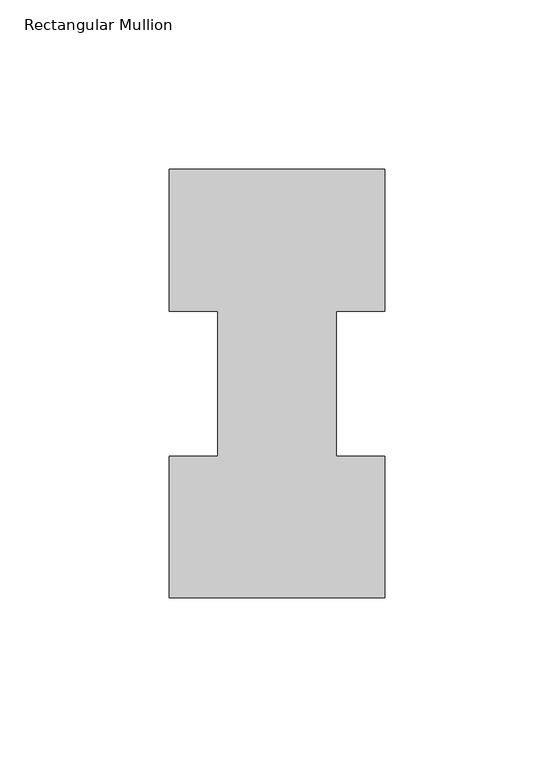
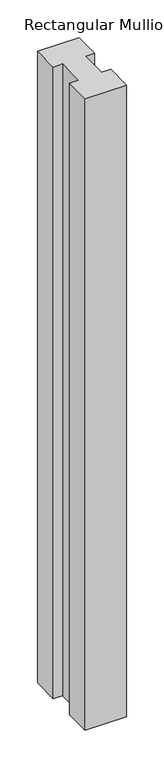
"""IFC4 building model written with IfcOpenShell, lengths in millimetres: member geometry, Rectangular Mullion."""

from ifc_helpers import new_model, si_unit, frame, origin, place, context, project, spatial, polyline, outline, extrude, source, transform, mapped, element, save


def rectangular_mullion_07957556(model_context):
    return source(origin(), model_context, "Body", "SweptSolid", [
        extrude(outline(polyline([(-63.5, 0.26035), (-63.5, 42.08145), (-49.2125, 42.08145), (-49.2125, 84.93125), (-63.5, 84.93125), (-63.5, 126.75235), (0.0, 126.75235), (0.0, 84.93125), (-14.2748, 84.93125), (-14.2748, 42.08145), (0.0, 42.08145), (0.0, 0.26035), (-63.5, 0.26035)])), frame((0.0, 0.0, -1023.0275185), z_axis=(0.0, 0.0, 1.0), x_axis=(1.0, 0.0, 0.0)), (0.0, 0.0, 1.0), 1023.0275185),
    ])


if __name__ == "__main__":
    model = new_model("IFC4")
    model_context = context("Model", 3, world=origin())
    ifc_project = project(units=[si_unit("LENGTHUNIT", "METRE", prefix="MILLI")], contexts=[model_context])
    site = spatial("IfcSite", under=ifc_project)
    building = spatial("IfcBuilding", under=site)
    placement = place(None, origin())
    rectangular_mullion_shape = rectangular_mullion_07957556(model_context)
    element("IfcMember", 1, ObjectType="Rectangular Mullion", at=placement, inside=building, context=model_context, shape_type="MappedRepresentation", body=[
        mapped(rectangular_mullion_shape, transform((0.0, 0.0, 0.0), x_axis=(1.0, 0.0, 0.0), y_axis=(0.0, 1.0, 0.0), z_axis=(0.0, 0.0, 1.0))),
    ])
    save(model, "model.ifc")
